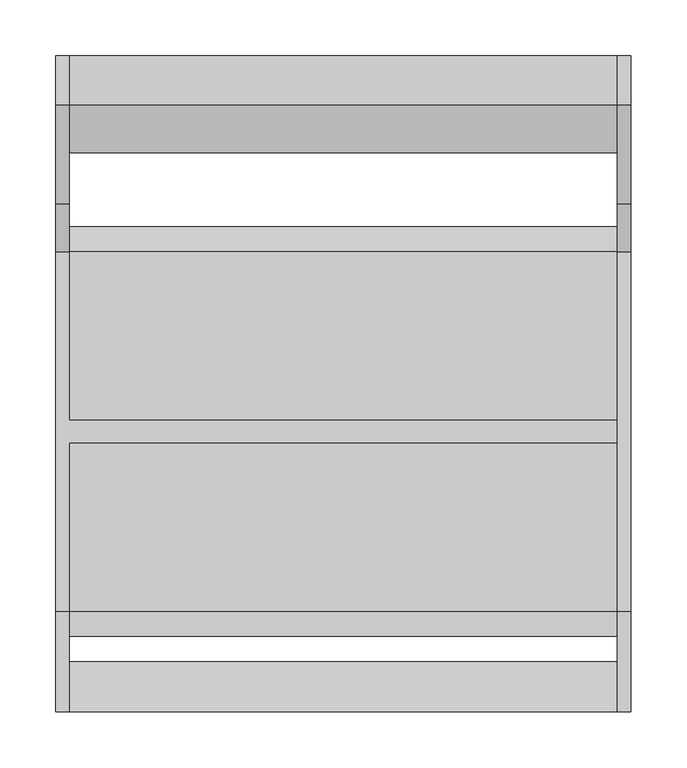
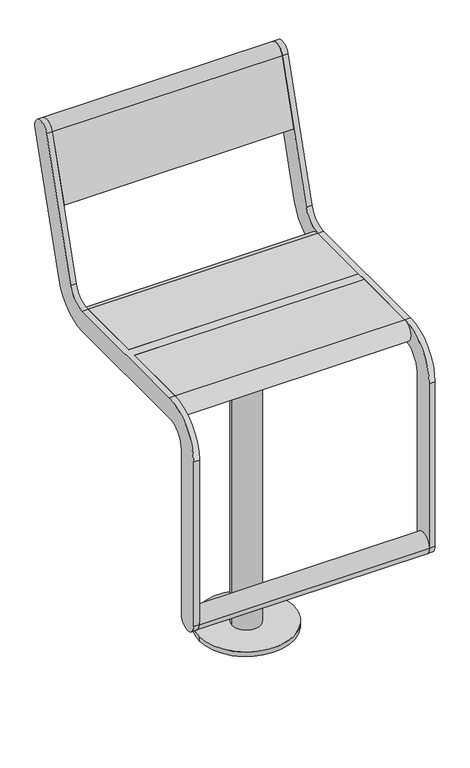
"""IFC4 building model written with IfcOpenShell, lengths in millimetres: furniture geometry."""

from ifc_helpers import new_model, si_unit, point, frame, frame_2d, origin, origin_with_axes, origin_2d, place, context, project, spatial, polyline, circle_curve, trimmed, segment, composite_curve, outline, extrude, source, transform, mapped, element, save
from ifc_brep_helpers import plane_surface, cylinder_surface, revolved_surface, advanced_brep


def furniture_3d38f23a(model_context):
    return source(origin(), model_context, "Body", "SolidModel", [
        extrude(outline(composite_curve([segment(trimmed(circle_curve(frame_2d((-228.4999475, 240.0002133)), 22.4999984), [point((-205.9999492, 240.0002133))], [point((-250.9999459, 240.0002133))], False, "CARTESIAN"), True, "CONTINUOUS"), segment(trimmed(circle_curve(frame_2d((-228.4999475, 240.0002133)), 22.4999984), [point((-250.9999459, 240.0002133))], [point((-205.9999492, 240.0002133))], False, "CARTESIAN"), True, "CONTINUOUS")], self_intersect=False)), frame((-245.0, 0.0, 0.0), z_axis=(1.0, 0.0, 0.0), x_axis=(0.0, 1.0, 0.0)), (0.0, 0.0, 1.0), 490.0),
        extrude(outline(composite_curve([segment(trimmed(circle_curve(frame_2d((312.5544541, 1013.1126327)), 22.5), [point((291.0375971, 1019.6909961))], [point((334.0713112, 1006.5342693))], False, "CARTESIAN"), True, "CONTINUOUS"), segment(polyline([(334.0713112, 1006.5342693), (246.067428, 718.6865378)]), True, "CONTINUOUS"), segment(trimmed(circle_curve(frame_2d((160.0, 744.9999912)), 90.0), [point((246.067428, 718.6865378))], [point((160.0, 654.9999912))], False, "CARTESIAN"), True, "CONTINUOUS"), segment(polyline([(160.0, 654.9999912), (-161.000007, 654.9999912)]), True, "CONTINUOUS"), segment(trimmed(circle_curve(frame_2d((-161.000007, 610.000049)), 44.9999422), [point((-161.000007, 654.9999912))], [point((-205.9999492, 610.000049))], True, "CARTESIAN"), True, "CONTINUOUS"), segment(polyline([(-205.9999492, 610.000049), (-205.9999492, 240.0002133)]), True, "CONTINUOUS"), segment(trimmed(circle_curve(frame_2d((-228.4999475, 240.0002133)), 22.4999984), [point((-205.9999492, 240.0002133))], [point((-250.9999459, 240.0002133))], False, "CARTESIAN"), True, "CONTINUOUS"), segment(polyline([(-250.9999459, 240.0002133), (-250.9999459, 610.0000453)]), True, "CONTINUOUS"), segment(trimmed(circle_curve(frame_2d((-161.0, 610.0000453)), 89.9999459), [point((-250.9999459, 610.0000453))], [point((-161.0, 699.9999912))], False, "CARTESIAN"), True, "CONTINUOUS"), segment(polyline([(-161.0, 699.9999912), (160.0, 699.9999912)]), True, "CONTINUOUS"), segment(trimmed(circle_curve(frame_2d((160.0, 744.9999912)), 45.0), [point((160.0, 699.9999912))], [point((203.033714, 731.8432645))], True, "CARTESIAN"), True, "CONTINUOUS"), segment(polyline([(203.033714, 731.8432645), (291.0375971, 1019.6909961)]), True, "CONTINUOUS")], self_intersect=False)), frame((245.0000214, 0.0, 0.0), z_axis=(1.0, 0.0, 0.0), x_axis=(0.0, 1.0, 0.0)), (0.0, 0.0, 1.0), 12.0),
        advanced_brep(
        [(-245.0, 291.0375971, 1019.6909961), (-245.0, 203.033714, 731.8432645), (-245.0, 160.0, 699.9999912), (-245.0, 9.5, 699.9999912), (-245.0, 9.5, 654.9999912), (-245.0, 160.0, 654.9999912), (-245.0, 246.067428, 718.6865378), (-245.0, 334.0713112, 1006.5342693), (-245.0, -161.0, 699.9999912), (-245.0, -250.9999459, 610.0000453), (-245.0, -250.9999459, 240.0002133), (-245.0, -205.9999492, 240.0002133), (-245.0, -205.9999492, 610.000049), (-245.0, -161.000007, 654.9999912), (-245.0, -10.5, 654.9999912), (-245.0, -10.5, 699.9999912), (-257.0, 291.0375971, 1019.6909961), (-257.0, 334.0713112, 1006.5342693), (-257.0, 246.067428, 718.6865378), (-257.0, 160.0, 654.9999912), (-257.0, -161.000007, 654.9999912), (-257.0, -205.9999492, 610.000049), (-257.0, -205.9999492, 240.0002133), (-257.0, -250.9999459, 240.0002133), (-257.0, -250.9999459, 610.0000453), (-257.0, -161.0, 699.9999912), (-257.0, 160.0, 699.9999912), (-257.0, 203.033714, 731.8432645), (245.0, -10.5, 699.9999912), (245.0, 9.5, 699.9999912), (245.0, 9.5, 654.9999912), (245.0, -10.5, 654.9999912)],
        [
            (0, 1),
            (1, 2, circle_curve(frame((-245.0, 160.0, 744.9999912), z_axis=(-1.0, 0.0, 0.0), x_axis=(0.0, -1.0, 0.0)), 45.0)),
            (2, 3),
            (3, 4),
            (4, 5),
            (5, 6, circle_curve(frame((-245.0, 160.0, 744.9999912), z_axis=(1.0, 0.0, 0.0), x_axis=(0.0, -1.0, 0.0)), 90.0)),
            (6, 7),
            (7, 0, circle_curve(frame((-245.0, 312.5544541, 1013.1126327), z_axis=(1.0, 0.0, 0.0), x_axis=(0.0, -1.0, 0.0)), 22.5)),
            (8, 9, circle_curve(frame((-245.0, -161.0, 610.0000453), z_axis=(1.0, 0.0, 0.0), x_axis=(0.0, -1.0, 0.0)), 89.9999459)),
            (9, 10),
            (10, 11, circle_curve(frame((-245.0, -228.4999475, 240.0002133), z_axis=(1.0, 0.0, 0.0), x_axis=(0.0, -1.0, 0.0)), 22.4999984)),
            (11, 12),
            (12, 13, circle_curve(frame((-245.0, -161.000007, 610.000049), z_axis=(-1.0, 0.0, 0.0), x_axis=(0.0, -1.0, 0.0)), 44.9999422)),
            (13, 14),
            (14, 15),
            (15, 8),
            (16, 17, circle_curve(frame((-257.0, 312.5544541, 1013.1126327), z_axis=(-1.0, 0.0, 0.0), x_axis=(0.0, -1.0, 0.0)), 22.5)),
            (17, 18),
            (18, 19, circle_curve(frame((-257.0, 160.0, 744.9999912), z_axis=(-1.0, 0.0, 0.0), x_axis=(0.0, -1.0, 0.0)), 90.0)),
            (19, 20),
            (20, 21, circle_curve(frame((-257.0, -161.000007, 610.000049), z_axis=(1.0, 0.0, 0.0), x_axis=(0.0, -1.0, 0.0)), 44.9999422)),
            (21, 22),
            (22, 23, circle_curve(frame((-257.0, -228.4999475, 240.0002133), z_axis=(-1.0, 0.0, 0.0), x_axis=(0.0, -1.0, 0.0)), 22.4999984)),
            (23, 24),
            (24, 25, circle_curve(frame((-257.0, -161.0, 610.0000453), z_axis=(-1.0, 0.0, 0.0), x_axis=(0.0, -1.0, 0.0)), 89.9999459)),
            (25, 26),
            (26, 27, circle_curve(frame((-257.0, 160.0, 744.9999912), z_axis=(1.0, 0.0, 0.0), x_axis=(0.0, -1.0, 0.0)), 45.0)),
            (27, 16),
            (0, 16),
            (27, 1),
            (26, 2),
            (25, 8),
            (15, 28),
            (28, 29),
            (29, 3),
            (19, 5),
            (4, 30),
            (30, 31),
            (31, 14),
            (13, 20),
            (18, 6),
            (17, 7),
            (28, 31),
            (30, 29),
            (24, 9),
            (23, 10),
            (22, 11),
            (21, 12),
        ],
        [
            plane_surface(frame((-245.0, 203.033714, 731.8432645), z_axis=(1.0, 0.0, 0.0), x_axis=(0.0, -0.2923717047227337, -0.9563047559630364))),
            plane_surface(frame((-257.0, 203.033714, 731.8432645), z_axis=(-1.0, 0.0, 0.0), x_axis=(0.0, 0.2923717047227337, 0.9563047559630364))),
            plane_surface(frame((-245.0, 291.0375971, 1019.6909961), z_axis=(0.0, -0.9563047559630364, 0.2923717047227337), x_axis=(-1.0, 0.0, 0.0))),
            revolved_surface(polyline([(-257.0, 115.0, 744.9999912), (-245.0, 115.0, 744.9999912)]), (-257.0, 160.0, 744.9999912), (-1.0, 0.0, 0.0)),
            plane_surface(frame((-245.0, 160.0, 699.9999912), z_axis=(0.0, 0.0, 1.0), x_axis=(-1.0, 0.0, 0.0))),
            plane_surface(frame((-245.0, -161.000007, 654.9999912), z_axis=(0.0, 0.0, -1.0), x_axis=(-1.0, 0.0, 0.0))),
            cylinder_surface(frame((-257.0, 160.0, 744.9999912), z_axis=(1.0, 0.0, 0.0), x_axis=(0.0, -1.0, 0.0)), 90.0),
            plane_surface(frame((-245.0, 246.067428, 718.6865378), z_axis=(0.0, 0.9563047559630364, -0.2923717047227337), x_axis=(-1.0, 0.0, 0.0))),
            cylinder_surface(frame((-257.0, 312.5544541, 1013.1126327), z_axis=(1.0, 0.0, 0.0), x_axis=(0.0, -1.0, 0.0)), 22.5),
            plane_surface(frame((245.0, -10.5, 699.9999912), z_axis=(1.0, 0.0, 0.0), x_axis=(0.0, -1.0, 0.0))),
            plane_surface(frame((245.0, -10.5, 699.9999912), z_axis=(0.0, -1.0, 0.0), x_axis=(-1.0, 0.0, 0.0))),
            plane_surface(frame((245.0, 9.5, 654.9999912), z_axis=(0.0, 1.0, 0.0), x_axis=(-1.0, 0.0, 0.0))),
            cylinder_surface(frame((-257.0, -161.0, 610.0000453), z_axis=(1.0, 0.0, 0.0), x_axis=(0.0, -1.0, 0.0)), 89.9999459),
            plane_surface(frame((-245.0, -250.9999459, 610.0000453), z_axis=(0.0, -1.0, 0.0), x_axis=(-1.0, 0.0, 0.0))),
            cylinder_surface(frame((-257.0, -228.4999475, 240.0002133), z_axis=(1.0, 0.0, 0.0), x_axis=(0.0, -1.0, 0.0)), 22.4999984),
            plane_surface(frame((-245.0, -205.9999492, 240.0002133), z_axis=(0.0, 1.0, 0.0), x_axis=(-1.0, 0.0, 0.0))),
            revolved_surface(polyline([(-257.0, -205.9999492, 610.000049), (-245.0, -205.9999492, 610.000049)]), (-257.0, -161.000007, 610.000049), (-1.0, 0.0, 0.0)),
        ],
        [
            (0, [[1, 2, 3, 4, 5, 6, 7, 8]]),
            (0, [[9, 10, 11, 12, 13, 14, 15, 16]]),
            (1, [[17, 18, 19, 20, 21, 22, 23, 24, 25, 26, 27, 28]]),
            (2, [[-1, 29, -28, 30]]),
            (3, [[-2, -30, -27, 31]]),
            (4, [[-26, 32, -16, 33, 34, 35, -3, -31]]),
            (5, [[-20, 36, -5, 37, 38, 39, -14, 40]]),
            (6, [[-6, -36, -19, 41]]),
            (7, [[-7, -41, -18, 42]]),
            (8, [[-8, -42, -17, -29]]),
            (9, [[-34, 43, -38, 44]]),
            (10, [[-43, -33, -15, -39]]),
            (11, [[-44, -37, -4, -35]]),
            (12, [[-9, -32, -25, 45]]),
            (13, [[-10, -45, -24, 46]]),
            (14, [[-11, -46, -23, 47]]),
            (15, [[-12, -47, -22, 48]]),
            (16, [[-13, -48, -21, -40]]),
        ],
    ),
        extrude(outline(composite_curve([segment(trimmed(circle_curve(frame_2d((312.5544541, 1013.1126327)), 22.5), [point((291.0375971, 1019.6909961))], [point((334.0713112, 1006.5342693))], False, "CARTESIAN"), True, "CONTINUOUS"), segment(polyline([(334.0713112, 1006.5342693), (291.5312281, 867.3919274), (248.4975141, 880.5486541), (291.0375971, 1019.6909961)]), True, "CONTINUOUS")], self_intersect=False)), frame((-245.0, 0.0, 0.0), z_axis=(1.0, 0.0, 0.0), x_axis=(0.0, 1.0, 0.0)), (0.0, 0.0, 1.0), 490.0),
        extrude(outline(composite_curve([segment(polyline([(9.5, 654.9999912), (9.5, 699.9999912), (160.0, 699.9999912)]), True, "CONTINUOUS"), segment(trimmed(circle_curve(frame_2d((160.0, 677.4999912)), 22.5), [point((160.0, 699.9999912))], [point((160.0, 654.9999912))], False, "CARTESIAN"), True, "CONTINUOUS"), segment(polyline([(160.0, 654.9999912), (9.5, 654.9999912)]), True, "CONTINUOUS")], self_intersect=False)), frame((-245.0, 0.0, 0.0), z_axis=(1.0, 0.0, 0.0), x_axis=(0.0, 1.0, 0.0)), (0.0, 0.0, 1.0), 490.0),
        extrude(outline(composite_curve([segment(polyline([(-10.5, 654.9999912), (-161.0, 654.9999912)]), True, "CONTINUOUS"), segment(trimmed(circle_curve(frame_2d((-161.0, 677.4999912)), 22.5), [point((-161.0, 654.9999912))], [point((-161.0, 699.9999912))], False, "CARTESIAN"), True, "CONTINUOUS"), segment(polyline([(-161.0, 699.9999912), (-10.5, 699.9999912), (-10.5, 654.9999912)]), True, "CONTINUOUS")], self_intersect=False)), frame((-245.0, 0.0, 0.0), z_axis=(1.0, 0.0, 0.0), x_axis=(0.0, 1.0, 0.0)), (0.0, 0.0, 1.0), 490.0),
        extrude(outline(composite_curve([segment(trimmed(circle_curve(origin_2d(), 40.0), [point((-40.0, 0.0))], [point((40.0, 0.0))], False, "CARTESIAN"), True, "CONTINUOUS"), segment(trimmed(circle_curve(origin_2d(), 40.0), [point((40.0, 0.0))], [point((-40.0, 0.0))], False, "CARTESIAN"), True, "CONTINUOUS")], self_intersect=False)), frame((0.0, 0.0, 578.999979), z_axis=(0.0, 0.0, 1.0), x_axis=(1.0, 0.0, 0.0)), (0.0, 0.0, 1.0), 60.0000441),
        extrude(outline(polyline([(75.0, 125.0), (75.0, -125.0), (-75.0, -125.0), (-75.0, 125.0), (75.0, 125.0)])), frame((0.0, 0.0, 639.0000231), z_axis=(0.0, 0.0, 1.0), x_axis=(1.0, 0.0, 0.0)), (0.0, 0.0, 1.0), 15.9999681),
        extrude(outline(composite_curve([segment(trimmed(circle_curve(origin_2d(), 100.0), [point((-100.0, 0.0))], [point((100.0, 0.0))], False, "CARTESIAN"), True, "CONTINUOUS"), segment(trimmed(circle_curve(origin_2d(), 100.0), [point((100.0, 0.0))], [point((-100.0, 0.0))], False, "CARTESIAN"), True, "CONTINUOUS")], self_intersect=False)), origin_with_axes(), (0.0, 0.0, 1.0), 10.0),
        extrude(outline(composite_curve([segment(trimmed(circle_curve(origin_2d(), 30.0), [point((-30.0, 0.0))], [point((30.0, 0.0))], False, "CARTESIAN"), True, "CONTINUOUS"), segment(trimmed(circle_curve(origin_2d(), 30.0), [point((30.0, 0.0))], [point((-30.0, 0.0))], False, "CARTESIAN"), True, "CONTINUOUS")], self_intersect=False)), frame((0.0, 0.0, 10.0), z_axis=(0.0, 0.0, 1.0), x_axis=(1.0, 0.0, 0.0)), (0.0, 0.0, 1.0), 568.999979),
    ])


if __name__ == "__main__":
    model = new_model("IFC4")
    model_context = context("Model", 3, world=origin())
    ifc_project = project(units=[si_unit("LENGTHUNIT", "METRE", prefix="MILLI")], contexts=[model_context])
    site = spatial("IfcSite", under=ifc_project)
    building = spatial("IfcBuilding", under=site)
    placement = place(None, origin())
    furniture_shape = furniture_3d38f23a(model_context)
    element("IfcFurniture", 1, at=placement, inside=building, context=model_context, shape_type="MappedRepresentation", body=[
        mapped(furniture_shape, transform((0.0, 0.0, 0.0), x_axis=(1.0, 0.0, 0.0), y_axis=(0.0, 1.0, 0.0), z_axis=(0.0, 0.0, 1.0))),
    ])
    save(model, "model.ifc")
